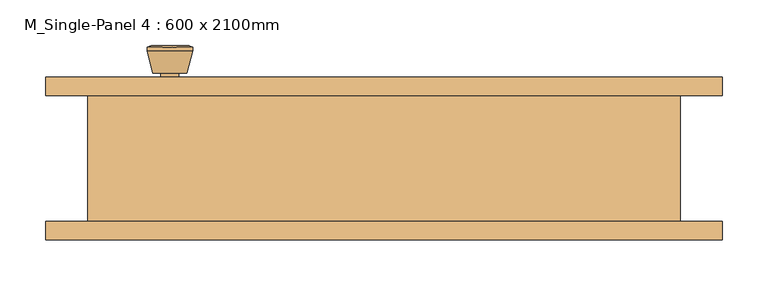
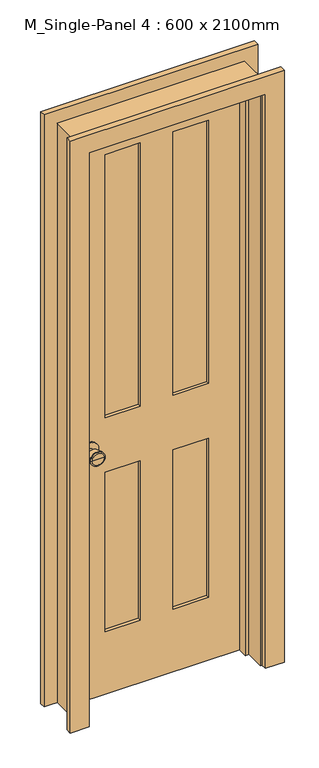
"""IFC4 building model written with IfcOpenShell, lengths in millimetres: door geometry, M_Single-Panel 4 : 600 x 2100mm."""

from ifc_helpers import new_model, si_unit, point, frame, frame_2d, origin, place, context, project, spatial, polyline, circle_curve, trimmed, segment, composite_curve, outline, extrude, faceted_brep, source, transform, mapped, element, save
from ifc_brep_helpers import plane_surface, cylinder_surface, revolved_surface, advanced_brep


def m_single_panel_4_600_x_2100mm_20f154a5(model_context):
    return source(origin(), model_context, "Body", "SolidModel", [
        advanced_brep(
        [(-235.0, 25.075, 914.4), (-225.0, 25.075, 914.4), (-245.0, 25.075, 914.4), (-214.5241324, -23.925, 914.4), (-235.0, -23.925, 914.4), (-255.4758676, -23.925, 914.4), (-210.0, -22.0971319, 914.4), (-260.0, -22.0971319, 914.4), (-210.0, -18.6334537, 914.4), (-260.0, -18.6334537, 914.4), (-216.363764, 6.075, 914.4), (-253.636236, 6.075, 914.4), (-225.0, 6.075, 914.4), (-245.0, 6.075, 914.4)],
        [
            (0, 1),
            (1, 2, circle_curve(frame((-235.0, 25.075, 914.4), z_axis=(0.0, 1.0, 0.0), x_axis=(-1.0, 0.0, 0.0)), 10.0)),
            (2, 0),
            (2, 1, circle_curve(frame((-235.0, 25.075, 914.4), z_axis=(0.0, 1.0, 0.0), x_axis=(-1.0, 0.0, 0.0)), 10.0)),
            (3, 4),
            (4, 5),
            (5, 3, circle_curve(frame((-235.0, -23.925, 914.4), z_axis=(0.0, -1.0, 0.0), x_axis=(-1.0, 0.0, 0.0)), 20.4758676)),
            (3, 5, circle_curve(frame((-235.0, -23.925, 914.4), z_axis=(0.0, -1.0, 0.0), x_axis=(-1.0, 0.0, 0.0)), 20.4758676)),
            (6, 3),
            (5, 7),
            (7, 6, circle_curve(frame((-235.0, -22.0971319, 914.4), z_axis=(0.0, -1.0, 0.0), x_axis=(-1.0, 0.0, 0.0)), 25.0)),
            (6, 7, circle_curve(frame((-235.0, -22.0971319, 914.4), z_axis=(0.0, -1.0, 0.0), x_axis=(-1.0, 0.0, 0.0)), 25.0)),
            (8, 6),
            (7, 9),
            (9, 8, circle_curve(frame((-235.0, -18.6334537, 914.4), z_axis=(0.0, -1.0, 0.0), x_axis=(-1.0, 0.0, 0.0)), 25.0)),
            (8, 9, circle_curve(frame((-235.0, -18.6334537, 914.4), z_axis=(0.0, -1.0, 0.0), x_axis=(-1.0, 0.0, 0.0)), 25.0)),
            (10, 8),
            (9, 11),
            (11, 10, circle_curve(frame((-235.0, 6.075, 914.4), z_axis=(0.0, -1.0, 0.0), x_axis=(-1.0, 0.0, 0.0)), 18.636236)),
            (10, 11, circle_curve(frame((-235.0, 6.075, 914.4), z_axis=(0.0, -1.0, 0.0), x_axis=(-1.0, 0.0, 0.0)), 18.636236)),
            (12, 10),
            (11, 13),
            (13, 12, circle_curve(frame((-235.0, 6.075, 914.4), z_axis=(0.0, -1.0, 0.0), x_axis=(-1.0, 0.0, 0.0)), 10.0)),
            (12, 13, circle_curve(frame((-235.0, 6.075, 914.4), z_axis=(0.0, -1.0, 0.0), x_axis=(-1.0, 0.0, 0.0)), 10.0)),
            (1, 12),
            (13, 2),
        ],
        [
            plane_surface(frame((-235.0, 25.075, 914.4), z_axis=(0.0, 1.0, 0.0), x_axis=(-1.0, 0.0, 0.0))),
            plane_surface(frame((-235.0, -23.925, 914.4), z_axis=(0.0, -1.0, 0.0), x_axis=(-1.0, 0.0, 0.0))),
            revolved_surface(polyline([(-255.4758676, -23.925, 914.4), (-260.0, -22.0971319, 914.4)]), (-235.0, 25.075, 914.4), (0.0, 1.0, 0.0)),
            cylinder_surface(frame((-235.0, 25.075, 914.4), z_axis=(0.0, 1.0, 0.0), x_axis=(-1.0, 0.0, 0.0)), 25.0),
            revolved_surface(polyline([(-260.0, -18.6334537, 914.4), (-253.636236, 6.075, 914.4)]), (-235.0, 25.075, 914.4), (0.0, 1.0, 0.0)),
            plane_surface(frame((-235.0, 6.075, 914.4), z_axis=(0.0, 1.0, 0.0), x_axis=(-1.0, 0.0, 0.0))),
            cylinder_surface(frame((-235.0, 25.075, 914.4), z_axis=(0.0, 1.0, 0.0), x_axis=(-1.0, 0.0, 0.0)), 10.0),
        ],
        [
            (0, [[1, 2, 3]]),
            (0, [[-3, 4, -1]]),
            (1, [[5, 6, 7]]),
            (1, [[-6, -5, 8]]),
            (2, [[9, -7, 10, 11]]),
            (2, [[-10, -8, -9, 12]]),
            (3, [[13, -11, 14, 15]]),
            (3, [[-14, -12, -13, 16]]),
            (4, [[17, -15, 18, 19]]),
            (4, [[-18, -16, -17, 20]]),
            (5, [[21, -19, 22, 23]]),
            (5, [[-22, -20, -21, 24]]),
            (6, [[25, -23, 26, -2]]),
            (6, [[-26, -24, -25, -4]]),
        ],
    ),
        extrude(outline(composite_curve([segment(trimmed(circle_curve(frame_2d((914.4, -235.0)), 30.0), [point((914.4, -265.0))], [point((914.4, -205.0))], False, "CARTESIAN"), True, "CONTINUOUS"), segment(trimmed(circle_curve(frame_2d((914.4, -235.0)), 30.0), [point((914.4, -205.0))], [point((914.4, -265.0))], False, "CARTESIAN"), True, "CONTINUOUS")], self_intersect=False)), frame((0.0, 25.075, 0.0), z_axis=(0.0, 1.0, 0.0), x_axis=(0.0, 0.0, 1.0)), (0.0, 0.0, 1.0), 6.0),
        advanced_brep(
        [(-235.0, 72.075, 914.4), (-245.0, 72.075, 914.4), (-225.0, 72.075, 914.4), (-214.5241324, 121.075, 914.4), (-255.4758676, 121.075, 914.4), (-235.0, 121.075, 914.4), (-210.0, 119.2471319, 914.4), (-260.0, 119.2471319, 914.4), (-210.0, 115.7834537, 914.4), (-260.0, 115.7834537, 914.4), (-216.363764, 91.075, 914.4), (-253.636236, 91.075, 914.4), (-225.0, 91.075, 914.4), (-245.0, 91.075, 914.4)],
        [
            (0, 1),
            (1, 2, circle_curve(frame((-235.0, 72.075, 914.4), z_axis=(0.0, -1.0, 0.0), x_axis=(-1.0, 0.0, 0.0)), 10.0)),
            (2, 0),
            (2, 1, circle_curve(frame((-235.0, 72.075, 914.4), z_axis=(0.0, -1.0, 0.0), x_axis=(-1.0, 0.0, 0.0)), 10.0)),
            (3, 4, circle_curve(frame((-235.0, 121.075, 914.4), z_axis=(0.0, 1.0, 0.0), x_axis=(-1.0, 0.0, 0.0)), 20.4758676)),
            (4, 5),
            (5, 3),
            (4, 3, circle_curve(frame((-235.0, 121.075, 914.4), z_axis=(0.0, 1.0, 0.0), x_axis=(-1.0, 0.0, 0.0)), 20.4758676)),
            (6, 7, circle_curve(frame((-235.0, 119.2471319, 914.4), z_axis=(0.0, 1.0, 0.0), x_axis=(-1.0, 0.0, 0.0)), 25.0)),
            (7, 4),
            (3, 6),
            (7, 6, circle_curve(frame((-235.0, 119.2471319, 914.4), z_axis=(0.0, 1.0, 0.0), x_axis=(-1.0, 0.0, 0.0)), 25.0)),
            (8, 9, circle_curve(frame((-235.0, 115.7834537, 914.4), z_axis=(0.0, 1.0, 0.0), x_axis=(-1.0, 0.0, 0.0)), 25.0)),
            (9, 7),
            (6, 8),
            (9, 8, circle_curve(frame((-235.0, 115.7834537, 914.4), z_axis=(0.0, 1.0, 0.0), x_axis=(-1.0, 0.0, 0.0)), 25.0)),
            (10, 11, circle_curve(frame((-235.0, 91.075, 914.4), z_axis=(0.0, 1.0, 0.0), x_axis=(-1.0, 0.0, 0.0)), 18.636236)),
            (11, 9),
            (8, 10),
            (11, 10, circle_curve(frame((-235.0, 91.075, 914.4), z_axis=(0.0, 1.0, 0.0), x_axis=(-1.0, 0.0, 0.0)), 18.636236)),
            (12, 13, circle_curve(frame((-235.0, 91.075, 914.4), z_axis=(0.0, 1.0, 0.0), x_axis=(-1.0, 0.0, 0.0)), 10.0)),
            (13, 11),
            (10, 12),
            (13, 12, circle_curve(frame((-235.0, 91.075, 914.4), z_axis=(0.0, 1.0, 0.0), x_axis=(-1.0, 0.0, 0.0)), 10.0)),
            (1, 13),
            (12, 2),
        ],
        [
            plane_surface(frame((-235.0, 72.075, 914.4), z_axis=(0.0, -1.0, 0.0), x_axis=(-1.0, 0.0, 0.0))),
            plane_surface(frame((-235.0, 121.075, 914.4), z_axis=(0.0, 1.0, 0.0), x_axis=(-1.0, 0.0, 0.0))),
            revolved_surface(polyline([(-255.4758676, 121.075, 914.4), (-260.0, 119.2471319, 914.4)]), (-235.0, 72.075, 914.4), (0.0, -1.0, 0.0)),
            cylinder_surface(frame((-235.0, 72.075, 914.4), z_axis=(0.0, -1.0, 0.0), x_axis=(-1.0, 0.0, 0.0)), 25.0),
            revolved_surface(polyline([(-260.0, 115.7834537, 914.4), (-253.636236, 91.075, 914.4)]), (-235.0, 72.075, 914.4), (0.0, -1.0, 0.0)),
            plane_surface(frame((-235.0, 91.075, 914.4), z_axis=(0.0, -1.0, 0.0), x_axis=(-1.0, 0.0, 0.0))),
            cylinder_surface(frame((-235.0, 72.075, 914.4), z_axis=(0.0, -1.0, 0.0), x_axis=(-1.0, 0.0, 0.0)), 10.0),
        ],
        [
            (0, [[1, 2, 3]]),
            (0, [[-3, 4, -1]]),
            (1, [[5, 6, 7]]),
            (1, [[8, -7, -6]]),
            (2, [[9, 10, -5, 11]]),
            (2, [[12, -11, -8, -10]]),
            (3, [[13, 14, -9, 15]]),
            (3, [[16, -15, -12, -14]]),
            (4, [[17, 18, -13, 19]]),
            (4, [[20, -19, -16, -18]]),
            (5, [[21, 22, -17, 23]]),
            (5, [[24, -23, -20, -22]]),
            (6, [[-2, 25, -21, 26]]),
            (6, [[-4, -26, -24, -25]]),
        ],
    ),
        extrude(outline(composite_curve([segment(trimmed(circle_curve(frame_2d((914.4, -235.0)), 30.0), [point((914.4, -265.0))], [point((914.4, -205.0))], False, "CARTESIAN"), True, "CONTINUOUS"), segment(trimmed(circle_curve(frame_2d((914.4, -235.0)), 30.0), [point((914.4, -205.0))], [point((914.4, -265.0))], False, "CARTESIAN"), True, "CONTINUOUS")], self_intersect=False)), frame((0.0, 66.075, 0.0), z_axis=(0.0, 1.0, 0.0), x_axis=(0.0, 0.0, 1.0)), (0.0, 0.0, 1.0), 6.0),
        extrude(outline(polyline([(180.0, 42.7416667), (57.5, 42.7416667), (57.5, 54.4083333), (180.0, 54.4083333), (180.0, 42.7416667)])), frame((0.0, 0.0, 1014.4), z_axis=(0.0, 0.0, 1.0), x_axis=(1.0, 0.0, 0.0)), (0.0, 0.0, 1.0), 965.6),
        extrude(outline(polyline([(-57.5, 42.7416667), (-180.0, 42.7416667), (-180.0, 54.4083333), (-57.5, 54.4083333), (-57.5, 42.7416667)])), frame((0.0, 0.0, 1014.4), z_axis=(0.0, 0.0, 1.0), x_axis=(1.0, 0.0, 0.0)), (0.0, 0.0, 1.0), 965.6),
        extrude(outline(polyline([(180.0, 42.7416667), (57.5, 42.7416667), (57.5, 54.4083333), (180.0, 54.4083333), (180.0, 42.7416667)])), frame((0.0, 0.0, 230.0), z_axis=(0.0, 0.0, 1.0), x_axis=(1.0, 0.0, 0.0)), (0.0, 0.0, 1.0), 584.4),
        extrude(outline(polyline([(-57.5, 42.7416667), (-180.0, 42.7416667), (-180.0, 54.4083333), (-57.5, 54.4083333), (-57.5, 42.7416667)])), frame((0.0, 0.0, 230.0), z_axis=(0.0, 0.0, 1.0), x_axis=(1.0, 0.0, 0.0)), (0.0, 0.0, 1.0), 584.4),
        extrude(outline(polyline([(2100.0, -300.0), (0.0, -300.0), (0.0, 300.0), (2100.0, 300.0), (2100.0, -300.0)]), holes=[polyline([(1980.0, 57.5), (1980.0, 180.0), (1014.4, 180.0), (1014.4, 57.5), (1980.0, 57.5)]), polyline([(1014.4, -57.5), (1014.4, -180.0), (1980.0, -180.0), (1980.0, -57.5), (1014.4, -57.5)]), polyline([(814.4, 57.5), (814.4, 180.0), (230.0, 180.0), (230.0, 57.5), (814.4, 57.5)]), polyline([(230.0, -57.5), (230.0, -180.0), (814.4, -180.0), (814.4, -57.5), (230.0, -57.5)])]), frame((0.0, 31.075, 0.0), z_axis=(0.0, 1.0, 0.0), x_axis=(0.0, 0.0, 1.0)), (0.0, 0.0, 1.0), 35.0),
        faceted_brep([(325.0, 66.075, 0.0), (325.0, -72.425, 0.0), (300.0, -72.425, 0.0), (300.0, -3.85, 0.0), (287.3, -3.85, 0.0), (287.3, 31.075, 0.0), (300.0, 31.075, 0.0), (300.0, 66.075, 0.0), (325.0, 66.075, 2125.0), (325.0, -72.425, 2125.0), (-325.0, -72.425, 2125.0), (-325.0, -72.425, 0.0), (-300.0, -72.425, 0.0), (-300.0, -72.425, 2100.0), (300.0, -72.425, 2100.0), (300.0, -3.85, 2100.0), (-300.0, -3.85, 2100.0), (-300.0, -3.85, 0.0), (-287.3, -3.85, 0.0), (-287.3, -3.85, 2087.3), (287.3, -3.85, 2087.3), (287.3, 31.075, 2087.3), (-287.3, 31.075, 2087.3), (-287.3, 31.075, 0.0), (-300.0, 31.075, 0.0), (-300.0, 31.075, 2100.0), (300.0, 31.075, 2100.0), (300.0, 66.075, 2100.0), (-300.0, 66.075, 2100.0), (-300.0, 66.075, 0.0), (-325.0, 66.075, 0.0), (-325.0, 66.075, 2125.0)], [[[0, 1, 2, 3, 4, 5, 6, 7]], [[1, 0, 8, 9]], [[2, 1, 9, 10, 11, 12, 13, 14]], [[3, 2, 14, 15]], [[4, 3, 15, 16, 17, 18, 19, 20]], [[5, 4, 20, 21]], [[6, 5, 21, 22, 23, 24, 25, 26]], [[7, 6, 26, 27]], [[0, 7, 27, 28, 29, 30, 31, 8]], [[9, 8, 31, 10]], [[15, 14, 13, 16]], [[21, 20, 19, 22]], [[27, 26, 25, 28]], [[30, 29, 24, 23, 18, 17, 12, 11]], [[10, 31, 30, 11]], [[16, 13, 12, 17]], [[22, 19, 18, 23]], [[28, 25, 24, 29]]]),
        extrude(outline(polyline([(0.0, 306.35), (0.0, 371.35), (2171.35, 371.35), (2171.35, -371.35), (0.0, -371.35), (0.0, -306.35), (2106.35, -306.35), (2106.35, 306.35), (0.0, 306.35)])), frame((0.0, -92.425, 0.0), z_axis=(0.0, 1.0, 0.0), x_axis=(0.0, 0.0, 1.0)), (0.0, 0.0, 1.0), 20.0),
        extrude(outline(polyline([(0.0, 306.35), (0.0, 371.35), (2171.35, 371.35), (2171.35, -371.35), (0.0, -371.35), (0.0, -306.35), (2106.35, -306.35), (2106.35, 306.35), (0.0, 306.35)])), frame((0.0, 66.075, 0.0), z_axis=(0.0, 1.0, 0.0), x_axis=(0.0, 0.0, 1.0)), (0.0, 0.0, 1.0), 20.0),
    ])


if __name__ == "__main__":
    model = new_model("IFC4")
    model_context = context("Model", 3, world=origin())
    ifc_project = project(units=[si_unit("LENGTHUNIT", "METRE", prefix="MILLI")], contexts=[model_context])
    site = spatial("IfcSite", under=ifc_project)
    building = spatial("IfcBuilding", under=site)
    placement = place(None, origin())
    m_single_panel_4_600_x_2100mm_shape = m_single_panel_4_600_x_2100mm_20f154a5(model_context)
    element("IfcDoor", 1, ObjectType="M_Single-Panel 4 : 600 x 2100mm", at=placement, inside=building, context=model_context, shape_type="MappedRepresentation", body=[
        mapped(m_single_panel_4_600_x_2100mm_shape, transform((0.0, 0.0, 0.0), x_axis=(1.0, 0.0, 0.0), y_axis=(0.0, 1.0, 0.0), z_axis=(0.0, 0.0, 1.0))),
    ])
    save(model, "model.ifc")
